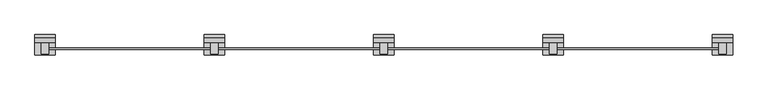
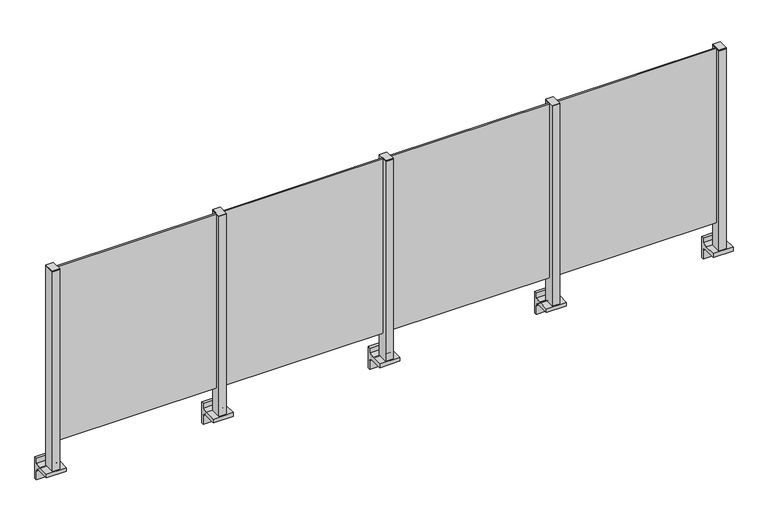
"""IFC4 building model written with IfcOpenShell, lengths in millimetres: railing geometry."""

from ifc_helpers import new_model, si_unit, point, frame, frame_2d, origin, place, context, project, spatial, polyline, circle_curve, trimmed, segment, composite_curve, outline, extrude, source, transform, mapped, element, save


def railing_52e352b9(model_context):
    return source(origin(), model_context, "Body", "SweptSolid", [
        extrude(outline(polyline([(75010.0, 2311.9094929), (75010.0, 2321.9094929), (75990.0, 2321.9094929), (75990.0, 2311.9094929), (75010.0, 2311.9094929)])), frame((0.0, 0.0, 95.0), z_axis=(0.0, 0.0, 1.0), x_axis=(1.0, 0.0, 0.0)), (0.0, 0.0, 1.0), 1105.0),
        extrude(outline(composite_curve([segment(polyline([(2350.1846828, -70.0), (2384.1846828, -63.0), (2384.1846828, -32.5), (2400.1846828, -32.5), (2400.1846828, -167.5), (2384.1846828, -167.5), (2384.1846828, -113.5)]), True, "CONTINUOUS"), segment(trimmed(circle_curve(frame_2d((2364.1846828, -113.5)), 20.0), [point((2384.1846828, -113.5))], [point((2364.1846828, -93.5))], True, "CARTESIAN"), True, "CONTINUOUS"), segment(polyline([(2364.1846828, -93.5), (2280.1846828, -93.5), (2280.1846828, -70.0), (2350.1846828, -70.0)]), True, "CONTINUOUS")], self_intersect=False)), frame((74940.0, 0.0, 0.0), z_axis=(1.0, 0.0, 0.0), x_axis=(0.0, 1.0, 0.0)), (0.0, 0.0, 1.0), 120.0),
        extrude(outline(polyline([(75022.5, 2350.1846828), (75022.5, 2285.1846828), (74977.5, 2285.1846828), (74977.5, 2350.1846828), (75022.5, 2350.1846828)])), frame((0.0, 0.0, -70.0), z_axis=(0.0, 0.0, 1.0), x_axis=(1.0, 0.0, 0.0)), (0.0, 0.0, 1.0), 1270.0),
        extrude(outline(polyline([(75022.5, 2350.1846828), (75022.5, 2285.1846828), (74977.5, 2285.1846828), (74977.5, 2350.1846828), (75022.5, 2350.1846828)])), frame((0.0, 0.0, 1200.0), z_axis=(0.0, 0.0, 1.0), x_axis=(1.0, 0.0, 0.0)), (0.0, 0.0, 1.0), 5.0),
        extrude(outline(polyline([(74010.0, 2311.9094929), (74010.0, 2321.9094929), (74990.0, 2321.9094929), (74990.0, 2311.9094929), (74010.0, 2311.9094929)])), frame((0.0, 0.0, 95.0), z_axis=(0.0, 0.0, 1.0), x_axis=(1.0, 0.0, 0.0)), (0.0, 0.0, 1.0), 1105.0),
        extrude(outline(composite_curve([segment(polyline([(2350.1846828, -70.0), (2384.1846828, -63.0), (2384.1846828, -32.5), (2400.1846828, -32.5), (2400.1846828, -167.5), (2384.1846828, -167.5), (2384.1846828, -113.5)]), True, "CONTINUOUS"), segment(trimmed(circle_curve(frame_2d((2364.1846828, -113.5)), 20.0), [point((2384.1846828, -113.5))], [point((2364.1846828, -93.5))], True, "CARTESIAN"), True, "CONTINUOUS"), segment(polyline([(2364.1846828, -93.5), (2280.1846828, -93.5), (2280.1846828, -70.0), (2350.1846828, -70.0)]), True, "CONTINUOUS")], self_intersect=False)), frame((73940.0, 0.0, 0.0), z_axis=(1.0, 0.0, 0.0), x_axis=(0.0, 1.0, 0.0)), (0.0, 0.0, 1.0), 120.0),
        extrude(outline(polyline([(74022.5, 2350.1846828), (74022.5, 2285.1846828), (73977.5, 2285.1846828), (73977.5, 2350.1846828), (74022.5, 2350.1846828)])), frame((0.0, 0.0, -70.0), z_axis=(0.0, 0.0, 1.0), x_axis=(1.0, 0.0, 0.0)), (0.0, 0.0, 1.0), 1270.0),
        extrude(outline(polyline([(74022.5, 2350.1846828), (74022.5, 2285.1846828), (73977.5, 2285.1846828), (73977.5, 2350.1846828), (74022.5, 2350.1846828)])), frame((0.0, 0.0, 1200.0), z_axis=(0.0, 0.0, 1.0), x_axis=(1.0, 0.0, 0.0)), (0.0, 0.0, 1.0), 5.0),
        extrude(outline(polyline([(73010.0, 2311.9094929), (73010.0, 2321.9094929), (73990.0, 2321.9094929), (73990.0, 2311.9094929), (73010.0, 2311.9094929)])), frame((0.0, 0.0, 95.0), z_axis=(0.0, 0.0, 1.0), x_axis=(1.0, 0.0, 0.0)), (0.0, 0.0, 1.0), 1105.0),
        extrude(outline(composite_curve([segment(polyline([(2350.1846828, -70.0), (2384.1846828, -63.0), (2384.1846828, -32.5), (2400.1846828, -32.5), (2400.1846828, -167.5), (2384.1846828, -167.5), (2384.1846828, -113.5)]), True, "CONTINUOUS"), segment(trimmed(circle_curve(frame_2d((2364.1846828, -113.5)), 20.0), [point((2384.1846828, -113.5))], [point((2364.1846828, -93.5))], True, "CARTESIAN"), True, "CONTINUOUS"), segment(polyline([(2364.1846828, -93.5), (2280.1846828, -93.5), (2280.1846828, -70.0), (2350.1846828, -70.0)]), True, "CONTINUOUS")], self_intersect=False)), frame((72940.0, 0.0, 0.0), z_axis=(1.0, 0.0, 0.0), x_axis=(0.0, 1.0, 0.0)), (0.0, 0.0, 1.0), 120.0),
        extrude(outline(polyline([(73022.5, 2350.1846828), (73022.5, 2285.1846828), (72977.5, 2285.1846828), (72977.5, 2350.1846828), (73022.5, 2350.1846828)])), frame((0.0, 0.0, -70.0), z_axis=(0.0, 0.0, 1.0), x_axis=(1.0, 0.0, 0.0)), (0.0, 0.0, 1.0), 1270.0),
        extrude(outline(polyline([(73022.5, 2350.1846828), (73022.5, 2285.1846828), (72977.5, 2285.1846828), (72977.5, 2350.1846828), (73022.5, 2350.1846828)])), frame((0.0, 0.0, 1200.0), z_axis=(0.0, 0.0, 1.0), x_axis=(1.0, 0.0, 0.0)), (0.0, 0.0, 1.0), 5.0),
        extrude(outline(polyline([(72010.0, 2311.9094929), (72010.0, 2321.9094929), (72990.0, 2321.9094929), (72990.0, 2311.9094929), (72010.0, 2311.9094929)])), frame((0.0, 0.0, 95.0), z_axis=(0.0, 0.0, 1.0), x_axis=(1.0, 0.0, 0.0)), (0.0, 0.0, 1.0), 1105.0),
        extrude(outline(composite_curve([segment(polyline([(2350.1846828, -70.0), (2384.1846828, -63.0), (2384.1846828, -32.5), (2400.1846828, -32.5), (2400.1846828, -167.5), (2384.1846828, -167.5), (2384.1846828, -113.5)]), True, "CONTINUOUS"), segment(trimmed(circle_curve(frame_2d((2364.1846828, -113.5)), 20.0), [point((2384.1846828, -113.5))], [point((2364.1846828, -93.5))], True, "CARTESIAN"), True, "CONTINUOUS"), segment(polyline([(2364.1846828, -93.5), (2280.1846828, -93.5), (2280.1846828, -70.0), (2350.1846828, -70.0)]), True, "CONTINUOUS")], self_intersect=False)), frame((75940.0, 0.0, 0.0), z_axis=(1.0, 0.0, 0.0), x_axis=(0.0, 1.0, 0.0)), (0.0, 0.0, 1.0), 120.0),
        extrude(outline(polyline([(76022.5, 2350.1846828), (76022.5, 2285.1846828), (75977.5, 2285.1846828), (75977.5, 2350.1846828), (76022.5, 2350.1846828)])), frame((0.0, 0.0, -70.0), z_axis=(0.0, 0.0, 1.0), x_axis=(1.0, 0.0, 0.0)), (0.0, 0.0, 1.0), 1270.0),
        extrude(outline(polyline([(76022.5, 2350.1846828), (76022.5, 2285.1846828), (75977.5, 2285.1846828), (75977.5, 2350.1846828), (76022.5, 2350.1846828)])), frame((0.0, 0.0, 1200.0), z_axis=(0.0, 0.0, 1.0), x_axis=(1.0, 0.0, 0.0)), (0.0, 0.0, 1.0), 5.0),
        extrude(outline(composite_curve([segment(polyline([(2350.1846828, -70.0), (2384.1846828, -63.0), (2384.1846828, -32.5), (2400.1846828, -32.5), (2400.1846828, -167.5), (2384.1846828, -167.5), (2384.1846828, -113.5)]), True, "CONTINUOUS"), segment(trimmed(circle_curve(frame_2d((2364.1846828, -113.5)), 20.0), [point((2384.1846828, -113.5))], [point((2364.1846828, -93.5))], True, "CARTESIAN"), True, "CONTINUOUS"), segment(polyline([(2364.1846828, -93.5), (2280.1846828, -93.5), (2280.1846828, -70.0), (2350.1846828, -70.0)]), True, "CONTINUOUS")], self_intersect=False)), frame((71940.0, 0.0, 0.0), z_axis=(1.0, 0.0, 0.0), x_axis=(0.0, 1.0, 0.0)), (0.0, 0.0, 1.0), 120.0),
        extrude(outline(polyline([(72022.5, 2350.1846828), (72022.5, 2285.1846828), (71977.5, 2285.1846828), (71977.5, 2350.1846828), (72022.5, 2350.1846828)])), frame((0.0, 0.0, -70.0), z_axis=(0.0, 0.0, 1.0), x_axis=(1.0, 0.0, 0.0)), (0.0, 0.0, 1.0), 1270.0),
        extrude(outline(polyline([(72022.5, 2350.1846828), (72022.5, 2285.1846828), (71977.5, 2285.1846828), (71977.5, 2350.1846828), (72022.5, 2350.1846828)])), frame((0.0, 0.0, 1200.0), z_axis=(0.0, 0.0, 1.0), x_axis=(1.0, 0.0, 0.0)), (0.0, 0.0, 1.0), 5.0),
    ])


if __name__ == "__main__":
    model = new_model("IFC4")
    model_context = context("Model", 3, world=origin())
    ifc_project = project(units=[si_unit("LENGTHUNIT", "METRE", prefix="MILLI")], contexts=[model_context])
    site = spatial("IfcSite", under=ifc_project)
    building = spatial("IfcBuilding", under=site)
    placement = place(None, origin())
    railing_shape = railing_52e352b9(model_context)
    element("IfcRailing", 1, at=placement, inside=building, context=model_context, shape_type="MappedRepresentation", body=[
        mapped(railing_shape, transform((0.0, 0.0, 0.0), x_axis=(1.0, 0.0, 0.0), y_axis=(0.0, 1.0, 0.0), z_axis=(0.0, 0.0, 1.0))),
    ])
    save(model, "model.ifc")
